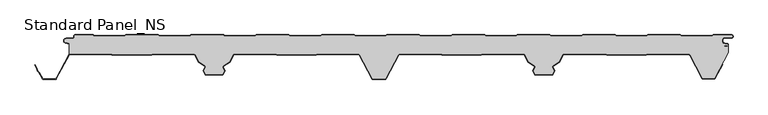
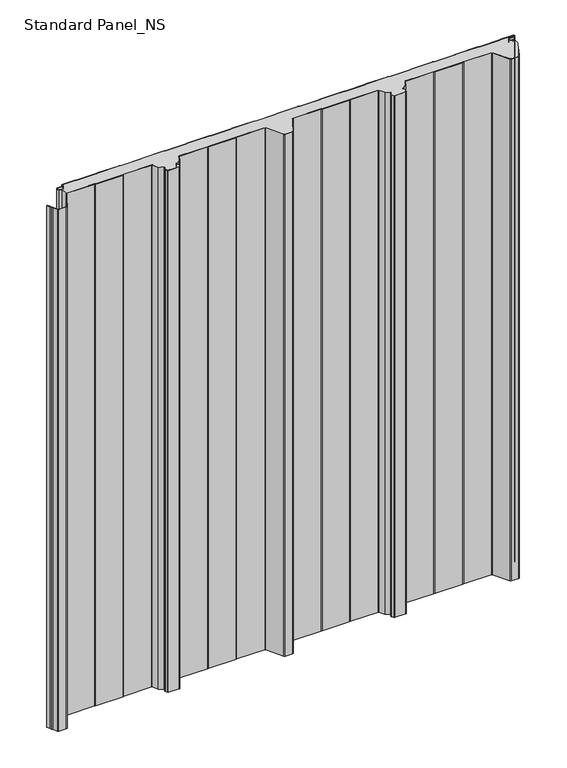
"""IFC4 building model written with IfcOpenShell, lengths in millimetres: proxy geometry, Standard Panel_NS."""

from ifc_helpers import new_model, si_unit, point, frame_2d, origin, origin_with_axes, place, context, project, spatial, polyline, circle_curve, trimmed, segment, composite_curve, outline, extrude, source, transform, mapped, element, save


def standard_panel_ns_1771a1bf(model_context):
    return source(origin(), model_context, "Body", "SweptSolid", [
        extrude(outline(composite_curve([segment(trimmed(circle_curve(frame_2d((-467.4564897, -31.75)), 2.55), [point((-467.4564897, -29.2))], [point((-468.8443846, -29.6107833))], True, "CARTESIAN"), True, "CONTINUOUS"), segment(polyline([(-468.8443846, -29.6107833), (-468.8443846, -13.0699171), (-474.2876002, -11.8132517)]), True, "CONTINUOUS"), segment(trimmed(circle_curve(frame_2d((-473.6464897, -9.036297)), 2.85), [point((-474.2876002, -11.8132517))], [point((-473.6464897, -6.186297))], False, "CARTESIAN"), True, "CONTINUOUS"), segment(polyline([(-473.6464897, -6.186297), (-463.8464897, -6.186297)]), True, "CONTINUOUS"), segment(trimmed(circle_curve(frame_2d((-463.8464897, -3.436297)), 2.75), [point((-463.8464897, -6.186297))], [point((-461.0964897, -3.436297))], True, "CARTESIAN"), True, "CONTINUOUS"), segment(polyline([(-461.0964897, -3.436297), (-461.0964897, -2.036297)]), True, "CONTINUOUS"), segment(trimmed(circle_curve(frame_2d((-459.8464897, -2.036297)), 1.25), [point((-461.0964897, -2.036297))], [point((-459.8464897, -0.786297))], False, "CARTESIAN"), True, "CONTINUOUS"), segment(polyline([(-459.8464897, -0.786297), (-432.8331943, -0.786297), (-431.1011435, -1.786297), (-384.6771824, -1.786297), (-382.902681, -0.786297), (-333.8331943, -0.786297), (-332.1011435, -1.8), (-285.6365264, -1.8), (-283.9044756, -0.8), (-234.8331943, -0.8), (-233.1011435, -1.8), (-186.6771824, -1.8), (-184.902681, -0.8), (-135.8331943, -0.8), (-134.1011435, -1.8), (-87.6771824, -1.8), (-85.902681, -0.8), (-36.8331943, -0.8), (-35.1011435, -1.8), (11.3634736, -1.8), (13.0955244, -0.8), (62.1668057, -0.8), (63.8988565, -1.8), (110.3634736, -1.8), (112.0955244, -0.8), (161.1668057, -0.8), (162.8988565, -1.8), (209.3228176, -1.8), (211.097319, -0.8), (260.1668057, -0.8), (261.8988565, -1.8), (308.3634736, -1.8), (310.0955244, -0.8), (359.1668057, -0.8), (360.8988565, -1.8), (407.3634736, -1.8), (409.0955244, -0.8), (458.1668057, -0.8), (459.8988565, -1.8), (506.3634736, -1.8), (508.0955244, -0.8), (535.6535103, -0.8)]), True, "CONTINUOUS"), segment(trimmed(circle_curve(frame_2d((535.6535103, -2.55)), 1.75), [point((535.6535103, -0.8))], [point((535.6535103, -4.3))], False, "CARTESIAN"), True, "CONTINUOUS"), segment(polyline([(535.6535103, -4.3), (526.1535103, -4.3)]), True, "CONTINUOUS"), segment(trimmed(circle_curve(frame_2d((526.1535103, -9.05)), 4.75), [point((526.1535103, -4.3))], [point((525.3286815, -13.7278368))], True, "CARTESIAN"), True, "CONTINUOUS"), segment(polyline([(525.3286815, -13.7278368), (529.6534477, -14.4904098)]), True, "CONTINUOUS"), segment(trimmed(circle_curve(frame_2d((529.5058468, -15.3274964)), 0.85), [point((529.6534477, -14.4904098))], [point((529.6253445, -16.1690547))], False, "CARTESIAN"), True, "CONTINUOUS"), segment(polyline([(529.6253445, -16.1690547), (524.7012285, -16.8682582), (524.8136969, -17.660313), (529.7378129, -16.9611095)]), True, "CONTINUOUS"), segment(trimmed(circle_curve(frame_2d((529.5058468, -15.3274964)), 1.65), [point((529.7378129, -16.9611095))], [point((531.1556156, -15.3551162))], True, "CARTESIAN"), True, "CONTINUOUS"), segment(polyline([(531.1556156, -15.3551162), (531.1556156, -26.7559646), (510.5652518, -65.4808064)]), True, "CONTINUOUS"), segment(trimmed(circle_curve(frame_2d((508.7552093, -64.5183897)), 2.05), [point((510.5652518, -65.4808064))], [point((508.7552093, -66.5683897))], False, "CARTESIAN"), True, "CONTINUOUS"), segment(polyline([(508.7552093, -66.5683897), (493.2446093, -66.5683897)]), True, "CONTINUOUS"), segment(trimmed(circle_curve(frame_2d((493.2446093, -64.5183897)), 2.05), [point((493.2446093, -66.5683897))], [point((491.4348615, -65.4813607))], False, "CARTESIAN"), True, "CONTINUOUS"), segment(polyline([(491.4348615, -65.4813607), (472.9163892, -30.5090325)]), True, "CONTINUOUS"), segment(trimmed(circle_curve(frame_2d((470.7064911, -31.7198823)), 2.5198823), [point((472.9163892, -30.5090325))], [point((470.7064911, -29.2))], True, "CARTESIAN"), True, "CONTINUOUS"), segment(polyline([(470.7064911, -29.2), (409.30759, -29.2), (406.3541332, -30.1683897), (346.5543556, -30.1683897), (343.5388467, -29.2), (281.6583282, -29.2)]), True, "CONTINUOUS"), segment(trimmed(circle_curve(frame_2d((281.4706486, -30.9901889)), 1.8), [point((281.6583282, -29.2))], [point((279.8813514, -30.1451242))], True, "CARTESIAN"), True, "CONTINUOUS"), segment(polyline([(279.8813514, -30.1451242), (273.7569305, -41.6632074), (264.7735386, -47.3508249)]), True, "CONTINUOUS"), segment(trimmed(circle_curve(frame_2d((265.7364071, -48.8716418)), 1.8), [point((264.7735386, -47.3508249))], [point((264.1273846, -49.6785164))], True, "CARTESIAN"), True, "CONTINUOUS"), segment(polyline([(264.1273846, -49.6785164), (266.7244548, -54.8574433), (263.7468294, -60.4573069), (238.2529825, -60.4573069), (235.2699012, -54.8466132), (237.8617103, -49.6784342)]), True, "CONTINUOUS"), segment(trimmed(circle_curve(frame_2d((236.2527038, -48.8715276)), 1.8), [point((237.8617103, -49.6784342))], [point((237.2156025, -47.3507298))], True, "CARTESIAN"), True, "CONTINUOUS"), segment(polyline([(237.2156025, -47.3507298), (228.2489804, -41.6734802), (222.1195681, -30.1454573)]), True, "CONTINUOUS"), segment(trimmed(circle_curve(frame_2d((220.5302541, -30.9904904)), 1.8), [point((222.1195681, -30.1454573))], [point((220.3454724, -29.2))], True, "CARTESIAN"), True, "CONTINUOUS"), segment(polyline([(220.3454724, -29.2), (158.8926889, -29.2), (156.5110491, -30.1683897), (96.7197082, -30.1683897), (94.3380684, -29.2), (32.543497, -29.2)]), True, "CONTINUOUS"), segment(trimmed(circle_curve(frame_2d((32.543497, -31.75)), 2.55), [point((32.543497, -29.2))], [point((30.2919806, -30.5528475))], True, "CARTESIAN"), True, "CONTINUOUS"), segment(polyline([(30.2919806, -30.5528475), (11.188746, -66.4808064)]), True, "CONTINUOUS"), segment(trimmed(circle_curve(frame_2d((9.3787035, -65.5183897)), 2.05), [point((11.188746, -66.4808064))], [point((9.3787035, -67.5683897))], False, "CARTESIAN"), True, "CONTINUOUS"), segment(polyline([(9.3787035, -67.5683897), (-7.3788849, -67.5683897)]), True, "CONTINUOUS"), segment(trimmed(circle_curve(frame_2d((-7.3788849, -65.5183897)), 2.05), [point((-7.3788849, -67.5683897))], [point((-9.1889275, -66.4808064))], False, "CARTESIAN"), True, "CONTINUOUS"), segment(polyline([(-9.1889275, -66.4808064), (-28.292162, -30.5528475)]), True, "CONTINUOUS"), segment(trimmed(circle_curve(frame_2d((-30.5436784, -31.75)), 2.55), [point((-28.292162, -30.5528475))], [point((-30.5436784, -29.2))], True, "CARTESIAN"), True, "CONTINUOUS"), segment(polyline([(-30.5436784, -29.2), (-91.8382499, -29.2), (-94.2198897, -30.1683897), (-154.0112306, -30.1683897), (-156.392871, -29.2), (-218.5304355, -29.2)]), True, "CONTINUOUS"), segment(trimmed(circle_curve(frame_2d((-218.5304355, -30.9997352)), 1.7997352), [point((-218.5304355, -29.2))], [point((-220.1195157, -30.1548264))], True, "CARTESIAN"), True, "CONTINUOUS"), segment(polyline([(-220.1195157, -30.1548264), (-226.2491619, -41.6832892), (-235.2157839, -47.3605387)]), True, "CONTINUOUS"), segment(trimmed(circle_curve(frame_2d((-234.2528851, -48.8813366)), 1.8), [point((-235.2157839, -47.3605387))], [point((-235.8618916, -49.6882431))], True, "CARTESIAN"), True, "CONTINUOUS"), segment(polyline([(-235.8618916, -49.6882431), (-233.2700817, -54.8564238), (-236.2531818, -60.4669529), (-261.74715, -60.4669529), (-264.7246358, -54.8672514), (-262.1275659, -49.6883253)]), True, "CONTINUOUS"), segment(trimmed(circle_curve(frame_2d((-263.7365884, -48.8814507)), 1.8), [point((-262.1275659, -49.6883253))], [point((-262.7737199, -47.3606338))], True, "CARTESIAN"), True, "CONTINUOUS"), segment(polyline([(-262.7737199, -47.3606338), (-271.7571118, -41.6730163), (-277.8815327, -30.1549332)]), True, "CONTINUOUS"), segment(trimmed(circle_curve(frame_2d((-279.4708299, -30.9999978)), 1.8), [point((-277.8815327, -30.1549332))], [point((-279.468044, -29.2))], True, "CARTESIAN"), True, "CONTINUOUS"), segment(polyline([(-279.468044, -29.2), (-341.6073108, -29.2), (-343.9889442, -30.1683897), (-403.7802849, -30.1683897), (-406.1619183, -29.2), (-467.4564897, -29.2)]), True, "CONTINUOUS")], self_intersect=False)), origin_with_axes(), (0.0, 0.0, 1.0), 1219.2),
        extrude(outline(composite_curve([segment(trimmed(circle_curve(frame_2d((535.6535103, -2.55)), 2.55), [point((535.6535103, 0.0))], [point((535.6535103, -5.1))], False, "CARTESIAN"), True, "CONTINUOUS"), segment(polyline([(535.6535103, -5.1), (526.1535103, -5.1)]), True, "CONTINUOUS"), segment(trimmed(circle_curve(frame_2d((526.1535103, -9.05)), 3.95), [point((526.1535103, -5.1))], [point((525.4676, -12.9399906))], True, "CARTESIAN"), True, "CONTINUOUS"), segment(polyline([(525.4676, -12.9399906), (529.7923663, -13.7025636)]), True, "CONTINUOUS"), segment(trimmed(circle_curve(frame_2d((529.5058468, -15.3274964)), 1.65), [point((529.7923663, -13.7025636))], [point((529.7378129, -16.9611095))], False, "CARTESIAN"), True, "CONTINUOUS"), segment(polyline([(529.7378129, -16.9611095), (524.8136969, -17.660313), (524.7012285, -16.8682582), (529.6253445, -16.1690547)]), True, "CONTINUOUS"), segment(trimmed(circle_curve(frame_2d((529.5058468, -15.3274964)), 0.85), [point((529.6253445, -16.1690547))], [point((529.6534477, -14.4904098))], True, "CARTESIAN"), True, "CONTINUOUS"), segment(polyline([(529.6534477, -14.4904098), (525.3286815, -13.7278368)]), True, "CONTINUOUS"), segment(trimmed(circle_curve(frame_2d((526.1535103, -9.05)), 4.75), [point((525.3286815, -13.7278368))], [point((526.1535103, -4.3))], False, "CARTESIAN"), True, "CONTINUOUS"), segment(polyline([(526.1535103, -4.3), (535.6535103, -4.3)]), True, "CONTINUOUS"), segment(trimmed(circle_curve(frame_2d((535.6535103, -2.55)), 1.75), [point((535.6535103, -4.3))], [point((535.6535103, -0.8))], True, "CARTESIAN"), True, "CONTINUOUS"), segment(polyline([(535.6535103, -0.8), (508.0955244, -0.8), (506.3634736, -1.8), (459.8988565, -1.8), (458.1668057, -0.8), (409.0955244, -0.8), (407.3634736, -1.8), (360.8988565, -1.8), (359.1668057, -0.8), (310.0955244, -0.8), (308.3634736, -1.8), (261.8988565, -1.8), (260.1668057, -0.8), (211.097319, -0.8), (209.3228176, -1.8), (162.8988565, -1.8), (161.1668057, -0.8), (112.0955244, -0.8), (110.3634736, -1.8), (63.8988565, -1.8), (62.1668057, -0.8), (13.0955244, -0.8), (11.3634736, -1.8), (-35.1011435, -1.8), (-36.8331943, -0.8), (-85.902681, -0.8), (-87.6771824, -1.8), (-134.1011435, -1.8), (-135.8331943, -0.8), (-184.902681, -0.8), (-186.6771824, -1.8), (-233.1011435, -1.8), (-234.8331943, -0.8), (-283.9044756, -0.8), (-285.6365264, -1.8), (-332.1011435, -1.8), (-333.8331943, -0.786297), (-382.902681, -0.786297), (-384.6771824, -1.786297), (-431.1011435, -1.786297), (-432.8331943, -0.786297), (-459.8464897, -0.786297)]), True, "CONTINUOUS"), segment(trimmed(circle_curve(frame_2d((-459.8464897, -2.036297)), 1.25), [point((-459.8464897, -0.786297))], [point((-461.0964897, -2.036297))], True, "CARTESIAN"), True, "CONTINUOUS"), segment(polyline([(-461.0964897, -2.036297), (-461.0964897, -3.436297)]), True, "CONTINUOUS"), segment(trimmed(circle_curve(frame_2d((-463.8464897, -3.436297)), 2.75), [point((-461.0964897, -3.436297))], [point((-463.8464897, -6.186297))], False, "CARTESIAN"), True, "CONTINUOUS"), segment(polyline([(-463.8464897, -6.186297), (-473.6464897, -6.186297)]), True, "CONTINUOUS"), segment(trimmed(circle_curve(frame_2d((-473.6464897, -9.036297)), 2.85), [point((-473.6464897, -6.186297))], [point((-474.2876002, -11.8132517))], True, "CARTESIAN"), True, "CONTINUOUS"), segment(polyline([(-474.2876002, -11.8132517), (-468.8443846, -13.0699171), (-469.0243454, -13.8494131), (-474.4675611, -12.5927478)]), True, "CONTINUOUS"), segment(trimmed(circle_curve(frame_2d((-473.6464897, -9.036297)), 3.65), [point((-474.4675611, -12.5927478))], [point((-473.6464897, -5.386297))], False, "CARTESIAN"), True, "CONTINUOUS"), segment(polyline([(-473.6464897, -5.386297), (-463.8464897, -5.386297)]), True, "CONTINUOUS"), segment(trimmed(circle_curve(frame_2d((-463.8464897, -3.436297)), 1.95), [point((-463.8464897, -5.386297))], [point((-461.8964897, -3.436297))], True, "CARTESIAN"), True, "CONTINUOUS"), segment(polyline([(-461.8964897, -3.436297), (-461.8964897, -2.036297)]), True, "CONTINUOUS"), segment(trimmed(circle_curve(frame_2d((-459.8464897, -2.036297)), 2.05), [point((-461.8964897, -2.036297))], [point((-459.8464897, 0.013703))], False, "CARTESIAN"), True, "CONTINUOUS"), segment(polyline([(-459.8464897, 0.013703), (-432.618835, 0.013703), (-430.8867842, -0.986297), (-384.8870804, -0.986297), (-383.1125789, 0.013703), (-333.618835, 0.013703), (-331.8867842, -1.0), (-285.8508858, -1.0), (-284.118835, 0.0), (-234.618835, 0.0), (-232.8867842, -1.0), (-186.8870804, -1.0), (-185.1125789, 0.0), (-135.618835, 0.0), (-133.8867842, -1.0), (-87.8870804, -1.0), (-86.1125789, 0.0), (-36.618835, 0.0), (-34.8867842, -1.0), (11.1491142, -1.0), (12.881165, 0.0), (62.381165, 0.0), (64.1132158, -1.0), (110.1491142, -1.0), (111.881165, 0.0), (161.381165, 0.0), (163.1132158, -1.0), (209.1129196, -1.0), (210.8874211, 0.0), (260.381165, 0.0), (262.1132158, -1.0), (308.1491142, -1.0), (309.881165, 0.0), (359.381165, 0.0), (361.1132158, -1.0), (407.1491142, -1.0), (408.881165, 0.0), (458.381165, 0.0), (460.1132158, -1.0), (506.1491142, -1.0), (507.881165, 0.0), (535.6535103, 0.0)]), True, "CONTINUOUS")], self_intersect=False)), origin_with_axes(), (0.0, 0.0, 1.0), 1219.2),
        extrude(outline(composite_curve([segment(trimmed(circle_curve(frame_2d((-467.4564897, -31.75)), 1.75), [point((-467.4564897, -30.0))], [point((-469.001648, -30.9284248))], True, "CARTESIAN"), True, "CONTINUOUS"), segment(polyline([(-469.001648, -30.9284248), (-488.1048826, -66.8563836)]), True, "CONTINUOUS"), segment(trimmed(circle_curve(frame_2d((-490.6212832, -65.5183897)), 2.85), [point((-488.1048826, -66.8563836))], [point((-490.6212832, -68.3683897))], False, "CARTESIAN"), True, "CONTINUOUS"), segment(polyline([(-490.6212832, -68.3683897), (-507.3620907, -68.3683897)]), True, "CONTINUOUS"), segment(trimmed(circle_curve(frame_2d((-507.3620907, -65.5183897)), 2.85), [point((-507.3620907, -68.3683897))], [point((-509.8784914, -66.8563836))], False, "CARTESIAN"), True, "CONTINUOUS"), segment(polyline([(-509.8784914, -66.8563836), (-514.7628407, -57.6702585), (-517.1803883, -55.3708693), (-517.7777505, -52.000038), (-520.8462798, -46.2289737), (-520.1399217, -45.8533964), (-517.0120726, -51.7360251), (-516.4385398, -54.9723908), (-514.1174305, -57.1800551), (-509.1721333, -66.4808064)]), True, "CONTINUOUS"), segment(trimmed(circle_curve(frame_2d((-507.3620907, -65.5183897)), 2.05), [point((-509.1721333, -66.4808064))], [point((-507.3620907, -67.5683897))], True, "CARTESIAN"), True, "CONTINUOUS"), segment(polyline([(-507.3620907, -67.5683897), (-490.6212832, -67.5683897)]), True, "CONTINUOUS"), segment(trimmed(circle_curve(frame_2d((-490.6212832, -65.5183897)), 2.05), [point((-490.6212832, -67.5683897))], [point((-488.8112406, -66.4808064))], True, "CARTESIAN"), True, "CONTINUOUS"), segment(polyline([(-488.8112406, -66.4808064), (-469.7080061, -30.5528475)]), True, "CONTINUOUS"), segment(trimmed(circle_curve(frame_2d((-467.4564897, -31.75)), 2.55), [point((-469.7080061, -30.5528475))], [point((-467.4564897, -29.2))], False, "CARTESIAN"), True, "CONTINUOUS"), segment(polyline([(-467.4564897, -29.2), (-406.1619183, -29.2), (-403.7802849, -30.1683897), (-343.9889442, -30.1683897), (-341.6073108, -29.2), (-279.468044, -29.2)]), True, "CONTINUOUS"), segment(trimmed(circle_curve(frame_2d((-279.4708299, -30.9999978)), 1.8), [point((-279.468044, -29.2))], [point((-277.8815327, -30.1549332))], False, "CARTESIAN"), True, "CONTINUOUS"), segment(polyline([(-277.8815327, -30.1549332), (-271.7571118, -41.6730163), (-262.7737199, -47.3606338)]), True, "CONTINUOUS"), segment(trimmed(circle_curve(frame_2d((-263.7365884, -48.8814507)), 1.8), [point((-262.7737199, -47.3606338))], [point((-262.1275659, -49.6883253))], False, "CARTESIAN"), True, "CONTINUOUS"), segment(polyline([(-262.1275659, -49.6883253), (-264.7246358, -54.8672514), (-261.74715, -60.4669529), (-236.2531818, -60.4669529), (-233.2700817, -54.8564238), (-235.8618916, -49.6882431)]), True, "CONTINUOUS"), segment(trimmed(circle_curve(frame_2d((-234.2528851, -48.8813366)), 1.8), [point((-235.8618916, -49.6882431))], [point((-235.2157839, -47.3605387))], False, "CARTESIAN"), True, "CONTINUOUS"), segment(polyline([(-235.2157839, -47.3605387), (-226.2491619, -41.6832892), (-220.1195157, -30.1548264)]), True, "CONTINUOUS"), segment(trimmed(circle_curve(frame_2d((-218.5304355, -30.9997352)), 1.7997352), [point((-220.1195157, -30.1548264))], [point((-218.5304355, -29.2))], False, "CARTESIAN"), True, "CONTINUOUS"), segment(polyline([(-218.5304355, -29.2), (-156.392871, -29.2), (-154.0112306, -30.1683897), (-94.2198897, -30.1683897), (-91.8382499, -29.2), (-30.5436784, -29.2)]), True, "CONTINUOUS"), segment(trimmed(circle_curve(frame_2d((-30.5436784, -31.75)), 2.55), [point((-30.5436784, -29.2))], [point((-28.292162, -30.5528475))], False, "CARTESIAN"), True, "CONTINUOUS"), segment(polyline([(-28.292162, -30.5528475), (-9.1889275, -66.4808064)]), True, "CONTINUOUS"), segment(trimmed(circle_curve(frame_2d((-7.3788849, -65.5183897)), 2.05), [point((-9.1889275, -66.4808064))], [point((-7.3788849, -67.5683897))], True, "CARTESIAN"), True, "CONTINUOUS"), segment(polyline([(-7.3788849, -67.5683897), (9.3787035, -67.5683897)]), True, "CONTINUOUS"), segment(trimmed(circle_curve(frame_2d((9.3787035, -65.5183897)), 2.05), [point((9.3787035, -67.5683897))], [point((11.188746, -66.4808064))], True, "CARTESIAN"), True, "CONTINUOUS"), segment(polyline([(11.188746, -66.4808064), (30.2919806, -30.5528475)]), True, "CONTINUOUS"), segment(trimmed(circle_curve(frame_2d((32.543497, -31.75)), 2.55), [point((30.2919806, -30.5528475))], [point((32.543497, -29.2))], False, "CARTESIAN"), True, "CONTINUOUS"), segment(polyline([(32.543497, -29.2), (93.8380684, -29.2), (96.2197082, -30.1683897), (156.0110491, -30.1683897), (158.3926889, -29.2), (220.3454724, -29.2)]), True, "CONTINUOUS"), segment(trimmed(circle_curve(frame_2d((220.5302541, -30.9904904)), 1.8), [point((220.3454724, -29.2))], [point((222.1195681, -30.1454573))], False, "CARTESIAN"), True, "CONTINUOUS"), segment(polyline([(222.1195681, -30.1454573), (228.2489804, -41.6734802), (237.2156025, -47.3507298)]), True, "CONTINUOUS"), segment(trimmed(circle_curve(frame_2d((236.2527038, -48.8715276)), 1.8), [point((237.2156025, -47.3507298))], [point((237.8617103, -49.6784342))], False, "CARTESIAN"), True, "CONTINUOUS"), segment(polyline([(237.8617103, -49.6784342), (235.2699012, -54.8466132), (238.2529825, -60.4573069), (263.7468294, -60.4573069), (266.7244548, -54.8574433), (264.1273846, -49.6785164)]), True, "CONTINUOUS"), segment(trimmed(circle_curve(frame_2d((265.7364071, -48.8716418)), 1.8), [point((264.1273846, -49.6785164))], [point((264.7735386, -47.3508249))], False, "CARTESIAN"), True, "CONTINUOUS"), segment(polyline([(264.7735386, -47.3508249), (273.7569305, -41.6632074), (279.8813514, -30.1451242)]), True, "CONTINUOUS"), segment(trimmed(circle_curve(frame_2d((281.4706486, -30.9901889)), 1.8), [point((279.8813514, -30.1451242))], [point((281.6583282, -29.2))], False, "CARTESIAN"), True, "CONTINUOUS"), segment(polyline([(281.6583282, -29.2), (343.440414, -29.2), (346.4559229, -30.1683897), (406.3541332, -30.1683897), (409.30759, -29.2), (470.7064911, -29.2)]), True, "CONTINUOUS"), segment(trimmed(circle_curve(frame_2d((470.7064911, -31.7198823)), 2.5198823), [point((470.7064911, -29.2))], [point((472.9163892, -30.5090325))], False, "CARTESIAN"), True, "CONTINUOUS"), segment(polyline([(472.9163892, -30.5090325), (491.4348615, -65.4813607)]), True, "CONTINUOUS"), segment(trimmed(circle_curve(frame_2d((493.2446093, -64.5183897)), 2.05), [point((491.4348615, -65.4813607))], [point((493.2446093, -66.5683897))], True, "CARTESIAN"), True, "CONTINUOUS"), segment(polyline([(493.2446093, -66.5683897), (508.7552093, -66.5683897)]), True, "CONTINUOUS"), segment(trimmed(circle_curve(frame_2d((508.7552093, -64.5183897)), 2.05), [point((508.7552093, -66.5683897))], [point((510.5652518, -65.4808064))], True, "CARTESIAN"), True, "CONTINUOUS"), segment(polyline([(510.5652518, -65.4808064), (521.5330465, -44.8533847), (522.2394046, -45.2289619), (511.2716099, -65.8563836)]), True, "CONTINUOUS"), segment(trimmed(circle_curve(frame_2d((508.7552093, -64.5183897)), 2.85), [point((511.2716099, -65.8563836))], [point((508.7552093, -67.3683897))], False, "CARTESIAN"), True, "CONTINUOUS"), segment(polyline([(508.7552093, -67.3683897), (493.2446093, -67.3683897)]), True, "CONTINUOUS"), segment(trimmed(circle_curve(frame_2d((493.2446093, -64.5183897)), 2.85), [point((493.2446093, -67.3683897))], [point((490.7282086, -65.8563836))], False, "CARTESIAN"), True, "CONTINUOUS"), segment(polyline([(490.7282086, -65.8563836), (472.2123141, -30.8889236)]), True, "CONTINUOUS"), segment(trimmed(circle_curve(frame_2d((470.7064911, -31.7198823)), 1.7198823), [point((472.2123141, -30.8889236))], [point((470.7064911, -30.0))], True, "CARTESIAN"), True, "CONTINUOUS"), segment(polyline([(470.7064911, -30.0), (409.435396, -30.0), (406.4819392, -30.9683897), (346.3306196, -30.9683897), (343.3151107, -30.0), (281.6103837, -30.0)]), True, "CONTINUOUS"), segment(trimmed(circle_curve(frame_2d((281.4706486, -30.9901889)), 1.0), [point((281.6103837, -30.0))], [point((280.5877057, -30.5207085))], True, "CARTESIAN"), True, "CONTINUOUS"), segment(polyline([(280.5877057, -30.5207085), (274.3638391, -42.2258174), (265.2014801, -48.0267435)]), True, "CONTINUOUS"), segment(trimmed(circle_curve(frame_2d((265.7364071, -48.8716418)), 1.0), [point((265.2014801, -48.0267435))], [point((264.8425057, -49.3199055))], True, "CARTESIAN"), True, "CONTINUOUS"), segment(polyline([(264.8425057, -49.3199055), (267.3932697, -54.4064911)]), True, "CONTINUOUS"), segment(trimmed(circle_curve(frame_2d((266.4993683, -54.8547548)), 1.0), [point((267.3932697, -54.4064911))], [point((267.3823077, -55.3242418))], False, "CARTESIAN"), True, "CONTINUOUS"), segment(polyline([(267.3823077, -55.3242418), (264.6506332, -60.4615583)]), True, "CONTINUOUS"), segment(trimmed(circle_curve(frame_2d((263.3262591, -59.7573465)), 1.4999604), [point((264.6506332, -60.4615583))], [point((263.3262591, -61.2573069))], False, "CARTESIAN"), True, "CONTINUOUS"), segment(polyline([(263.3262591, -61.2573069), (238.673644, -61.2573069)]), True, "CONTINUOUS"), segment(trimmed(circle_curve(frame_2d((238.673644, -59.7572281)), 1.5000788), [point((238.673644, -61.2573069))], [point((237.3491357, -60.4614397))], False, "CARTESIAN"), True, "CONTINUOUS"), segment(polyline([(237.3491357, -60.4614397), (234.6120274, -55.3133815)]), True, "CONTINUOUS"), segment(trimmed(circle_curve(frame_2d((235.4949866, -54.8439317)), 1.0), [point((234.6120274, -55.3133815))], [point((234.6010941, -54.3956503))], False, "CARTESIAN"), True, "CONTINUOUS"), segment(polyline([(234.6010941, -54.3956503), (237.1465963, -49.319809)]), True, "CONTINUOUS"), segment(trimmed(circle_curve(frame_2d((236.2527038, -48.8715276)), 1.0), [point((237.1465963, -49.319809))], [point((236.7876475, -48.0266399))], True, "CARTESIAN"), True, "CONTINUOUS"), segment(polyline([(236.7876475, -48.0266399), (227.6420606, -42.2360781), (221.4132063, -30.5210275)]), True, "CONTINUOUS"), segment(trimmed(circle_curve(frame_2d((220.5302541, -30.9904904)), 1.0), [point((221.4132063, -30.5210275))], [point((220.3926719, -30.0))], True, "CARTESIAN"), True, "CONTINUOUS"), segment(polyline([(220.3926719, -30.0), (158.5491133, -30.0), (156.1674734, -30.9683897), (96.0632839, -30.9683897), (93.6816441, -30.0), (32.543497, -30.0)]), True, "CONTINUOUS"), segment(trimmed(circle_curve(frame_2d((32.543497, -31.75)), 1.75), [point((32.543497, -30.0))], [point((30.9983387, -30.9284248))], True, "CARTESIAN"), True, "CONTINUOUS"), segment(polyline([(30.9983387, -30.9284248), (11.8951041, -66.8563836)]), True, "CONTINUOUS"), segment(trimmed(circle_curve(frame_2d((9.3787035, -65.5183897)), 2.85), [point((11.8951041, -66.8563836))], [point((9.3787035, -68.3683897))], False, "CARTESIAN"), True, "CONTINUOUS"), segment(polyline([(9.3787035, -68.3683897), (-7.3788849, -68.3683897)]), True, "CONTINUOUS"), segment(trimmed(circle_curve(frame_2d((-7.3788849, -65.5183897)), 2.85), [point((-7.3788849, -68.3683897))], [point((-9.8952855, -66.8563836))], False, "CARTESIAN"), True, "CONTINUOUS"), segment(polyline([(-9.8952855, -66.8563836), (-28.9985201, -30.9284248)]), True, "CONTINUOUS"), segment(trimmed(circle_curve(frame_2d((-30.5436784, -31.75)), 1.75), [point((-28.9985201, -30.9284248))], [point((-30.5436784, -30.0))], True, "CARTESIAN"), True, "CONTINUOUS"), segment(polyline([(-30.5436784, -30.0), (-91.6818255, -30.0), (-94.0634654, -30.9683897), (-154.1676549, -30.9683897), (-156.5492953, -29.9999999), (-218.5304355, -29.9999999)]), True, "CONTINUOUS"), segment(trimmed(circle_curve(frame_2d((-218.5304355, -30.9997352)), 0.9997353), [point((-218.5304355, -29.9999999))], [point((-219.413154, -30.5303966))], True, "CARTESIAN"), True, "CONTINUOUS"), segment(polyline([(-219.413154, -30.5303966), (-225.6422421, -42.2458871), (-234.7878289, -48.0364489)]), True, "CONTINUOUS"), segment(trimmed(circle_curve(frame_2d((-234.2528851, -48.8813366)), 1.0), [point((-234.7878289, -48.0364489))], [point((-235.1467776, -49.329618))], True, "CARTESIAN"), True, "CONTINUOUS"), segment(polyline([(-235.1467776, -49.329618), (-232.6012754, -54.4054592)]), True, "CONTINUOUS"), segment(trimmed(circle_curve(frame_2d((-233.4951679, -54.8537406)), 1.0), [point((-232.6012754, -54.4054592))], [point((-232.6122157, -55.3232034))], False, "CARTESIAN"), True, "CONTINUOUS"), segment(polyline([(-232.6122157, -55.3232034), (-235.3493606, -60.4711471)]), True, "CONTINUOUS"), segment(trimmed(circle_curve(frame_2d((-236.6737889, -59.7669529)), 1.5), [point((-235.3493606, -60.4711471))], [point((-236.6737889, -61.2669529))], False, "CARTESIAN"), True, "CONTINUOUS"), segment(polyline([(-236.6737889, -61.2669529), (-261.2993182, -61.2669529)]), True, "CONTINUOUS"), segment(trimmed(circle_curve(frame_2d((-261.3264221, -59.7671978)), 1.5), [point((-261.2993182, -61.2669529))], [point((-262.6508365, -60.4714183))], False, "CARTESIAN"), True, "CONTINUOUS"), segment(polyline([(-262.6508365, -60.4714183), (-265.3824926, -55.3340441)]), True, "CONTINUOUS"), segment(trimmed(circle_curve(frame_2d((-264.4995496, -54.8645637)), 1.0), [point((-265.3824926, -55.3340441))], [point((-265.393451, -54.4163001))], False, "CARTESIAN"), True, "CONTINUOUS"), segment(polyline([(-265.393451, -54.4163001), (-262.842687, -49.3297144)]), True, "CONTINUOUS"), segment(trimmed(circle_curve(frame_2d((-263.7365884, -48.8814507)), 1.0), [point((-262.842687, -49.3297144))], [point((-263.2016615, -48.0365524))], True, "CARTESIAN"), True, "CONTINUOUS"), segment(polyline([(-263.2016615, -48.0365524), (-272.3640204, -42.2356263), (-278.587887, -30.5305175)]), True, "CONTINUOUS"), segment(trimmed(circle_curve(frame_2d((-279.4708299, -30.9999978)), 1.0), [point((-278.587887, -30.5305175))], [point((-279.4687534, -30.0))], True, "CARTESIAN"), True, "CONTINUOUS"), segment(polyline([(-279.4687534, -30.0), (-341.4508861, -30.0), (-343.8325195, -30.9683897), (-403.9367096, -30.9683897), (-406.318343, -30.0), (-467.4564897, -30.0)]), True, "CONTINUOUS")], self_intersect=False)), origin_with_axes(), (0.0, 0.0, 1.0), 1219.2),
    ])


if __name__ == "__main__":
    model = new_model("IFC4")
    model_context = context("Model", 3, world=origin())
    ifc_project = project(units=[si_unit("LENGTHUNIT", "METRE", prefix="MILLI")], contexts=[model_context])
    site = spatial("IfcSite", under=ifc_project)
    building = spatial("IfcBuilding", under=site)
    placement = place(None, origin())
    standard_panel_ns_shape = standard_panel_ns_1771a1bf(model_context)
    element("IfcBuildingElementProxy", 1, Name="Standard Panel_NS", ObjectType="Standard Panel_NS", at=placement, inside=building, context=model_context, shape_type="MappedRepresentation", body=[
        mapped(standard_panel_ns_shape, transform((0.0, 0.0, 0.0), x_axis=(1.0, 0.0, 0.0), y_axis=(0.0, 1.0, 0.0), z_axis=(0.0, 0.0, 1.0))),
    ])
    save(model, "model.ifc")
